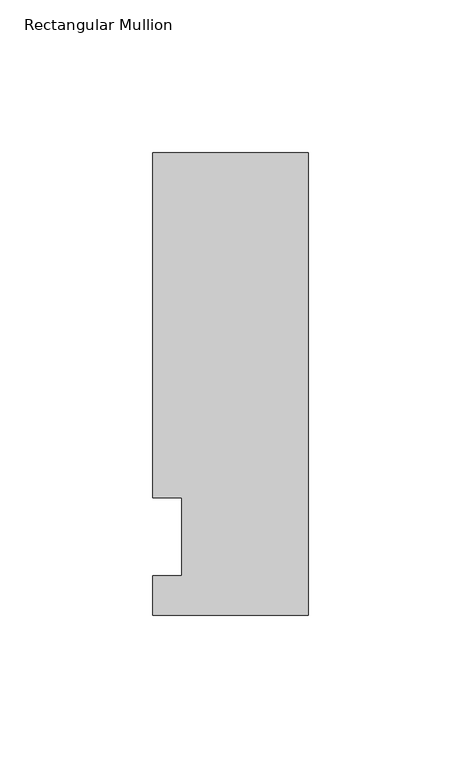
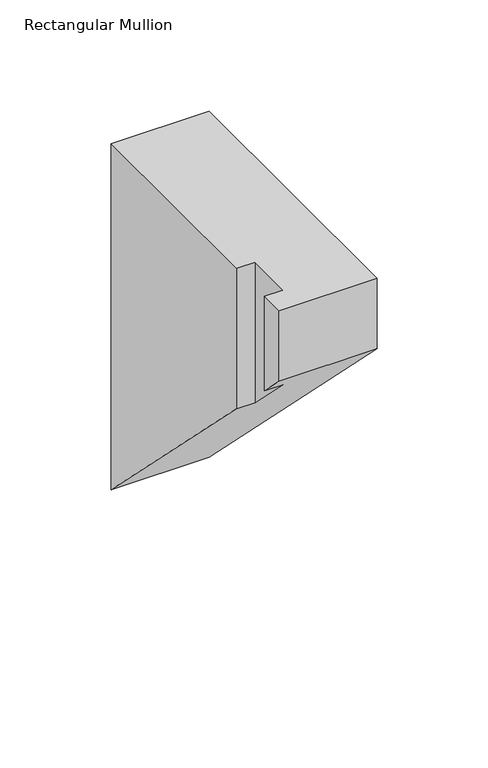
"""IFC4 building model written with IfcOpenShell, lengths in millimetres: member geometry, Rectangular Mullion."""

from ifc_helpers import new_model, si_unit, origin, place, context, project, spatial, faceted_brep, source, transform, mapped, element, save


def rectangular_mullion_ac30b4f8(model_context):
    return source(origin(), model_context, "Body", "Brep", [
        faceted_brep([(-50.8, -25.5984375, 0.0), (0.0, -25.5984375, 0.0), (0.0, 125.6109375, 0.0), (-50.8, 125.6109375, 0.0), (-50.8, 12.7, 0.0), (-41.275, 12.7, 0.0), (-41.275, -12.7, 0.0), (-50.8, -12.7, 0.0), (-50.8, -25.5984375, -38.8477125), (0.0, -25.5984375, -38.8477125), (0.0, 125.6109375, -190.0570875), (-50.8, 125.6109375, -190.0570875), (-50.8, 12.7, -77.14615), (-41.275, 12.7, -77.14615), (-41.275, -12.7, -51.74615), (-50.8, -12.7, -51.74615)], [[[0, 1, 2, 3, 4, 5, 6, 7]], [[1, 0, 8, 9]], [[2, 1, 9, 10]], [[3, 2, 10, 11]], [[4, 3, 11, 12]], [[5, 4, 12, 13]], [[6, 5, 13, 14]], [[7, 6, 14, 15]], [[0, 7, 15, 8]], [[8, 15, 14, 13, 12, 11, 10, 9]]]),
    ])


if __name__ == "__main__":
    model = new_model("IFC4")
    model_context = context("Model", 3, world=origin())
    ifc_project = project(units=[si_unit("LENGTHUNIT", "METRE", prefix="MILLI")], contexts=[model_context])
    site = spatial("IfcSite", under=ifc_project)
    building = spatial("IfcBuilding", under=site)
    placement = place(None, origin())
    rectangular_mullion_shape = rectangular_mullion_ac30b4f8(model_context)
    element("IfcMember", 1, ObjectType="Rectangular Mullion", at=placement, inside=building, context=model_context, shape_type="MappedRepresentation", body=[
        mapped(rectangular_mullion_shape, transform((0.0, 0.0, 0.0), x_axis=(1.0, 0.0, 0.0), y_axis=(0.0, 1.0, 0.0), z_axis=(0.0, 0.0, 1.0))),
    ])
    save(model, "model.ifc")
